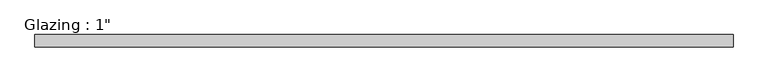
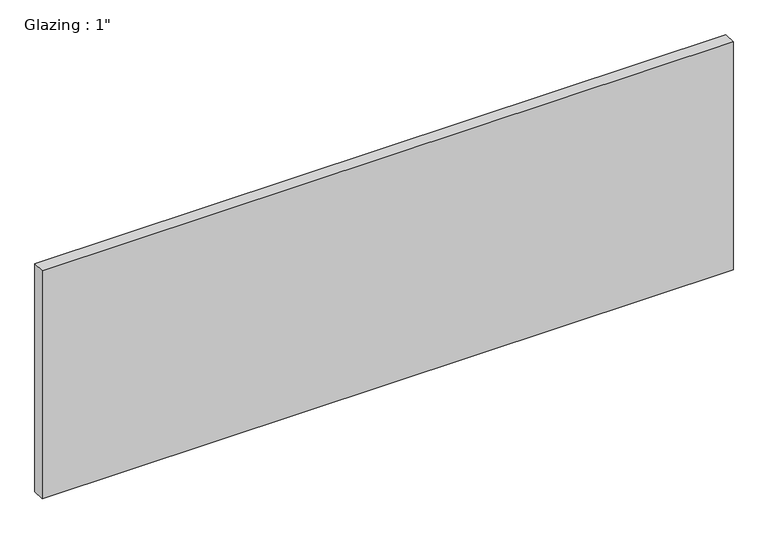
"""IFC4 building model written with IfcOpenShell, lengths in millimetres: plate geometry."""

from ifc_helpers import new_model, si_unit, origin, origin_with_axes, place, context, project, spatial, polyline, outline, extrude, source, transform, mapped, element, save


def plate_e8782204(model_context):
    return source(origin(), model_context, "Body", "SweptSolid", [
        extrude(outline(polyline([(713.8330765, 12.7), (713.8330765, -12.7), (-713.8330765, -12.7), (-713.8330765, 12.7), (713.8330765, 12.7)])), origin_with_axes(), (0.0, 0.0, 1.0), 497.9851068),
    ])


if __name__ == "__main__":
    model = new_model("IFC4")
    model_context = context("Model", 3, world=origin())
    ifc_project = project(units=[si_unit("LENGTHUNIT", "METRE", prefix="MILLI")], contexts=[model_context])
    site = spatial("IfcSite", under=ifc_project)
    building = spatial("IfcBuilding", under=site)
    placement = place(None, origin())
    plate_shape = plate_e8782204(model_context)
    element("IfcPlate", 1, ObjectType="Glazing : 1\"", at=placement, inside=building, context=model_context, shape_type="MappedRepresentation", body=[
        mapped(plate_shape, transform((0.0, 0.0, 0.0), x_axis=(1.0, 0.0, 0.0), y_axis=(0.0, 1.0, 0.0), z_axis=(0.0, 0.0, 1.0))),
    ])
    save(model, "model.ifc")
